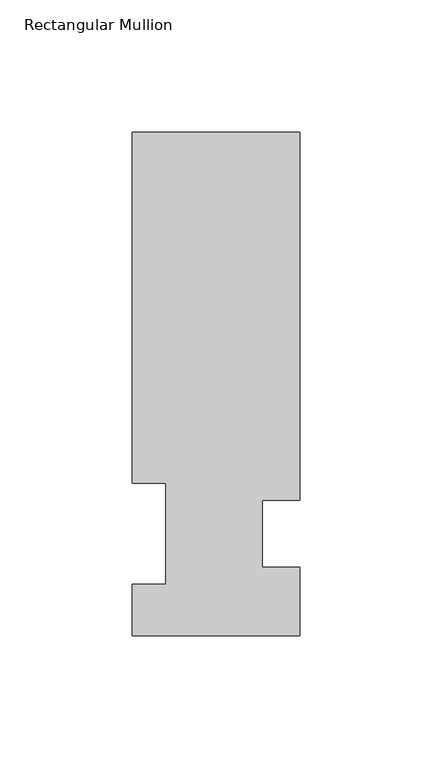
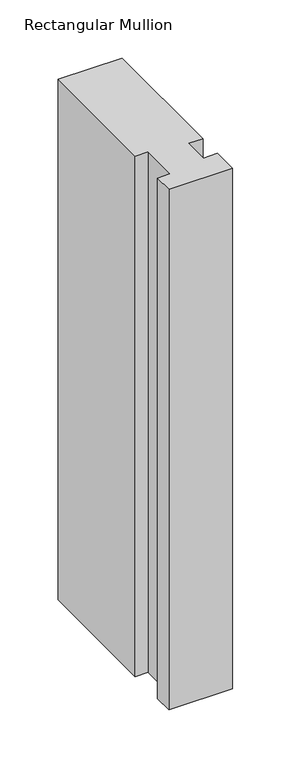
"""IFC4 building model written with IfcOpenShell, lengths in millimetres: member geometry, Rectangular Mullion."""

from ifc_helpers import new_model, si_unit, frame, origin, place, context, project, spatial, polyline, outline, extrude, source, transform, mapped, element, save


def rectangular_mullion_049f520e(model_context):
    return source(origin(), model_context, "Body", "SweptSolid", [
        extrude(outline(polyline([(-63.5, 190.5896938), (0.0, 190.5896938), (0.0, 51.2960937), (-14.2875, 51.2960937), (-14.2875, 25.8960938), (0.0, 25.8960938), (0.0, 0.0134938), (-63.5, 0.0134938), (-63.5, 19.5460938), (-50.8127, 19.5460938), (-50.8127, 57.6460937), (-63.5, 57.6460937), (-63.5, 190.5896938)])), frame((0.0, 0.0, -546.0999994), z_axis=(0.0, 0.0, 1.0), x_axis=(1.0, 0.0, 0.0)), (0.0, 0.0, 1.0), 546.0999994),
    ])


if __name__ == "__main__":
    model = new_model("IFC4")
    model_context = context("Model", 3, world=origin())
    ifc_project = project(units=[si_unit("LENGTHUNIT", "METRE", prefix="MILLI")], contexts=[model_context])
    site = spatial("IfcSite", under=ifc_project)
    building = spatial("IfcBuilding", under=site)
    placement = place(None, origin())
    rectangular_mullion_shape = rectangular_mullion_049f520e(model_context)
    element("IfcMember", 1, ObjectType="Rectangular Mullion", at=placement, inside=building, context=model_context, shape_type="MappedRepresentation", body=[
        mapped(rectangular_mullion_shape, transform((0.0, 0.0, 0.0), x_axis=(1.0, 0.0, 0.0), y_axis=(0.0, 1.0, 0.0), z_axis=(0.0, 0.0, 1.0))),
    ])
    save(model, "model.ifc")
